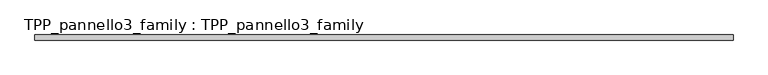
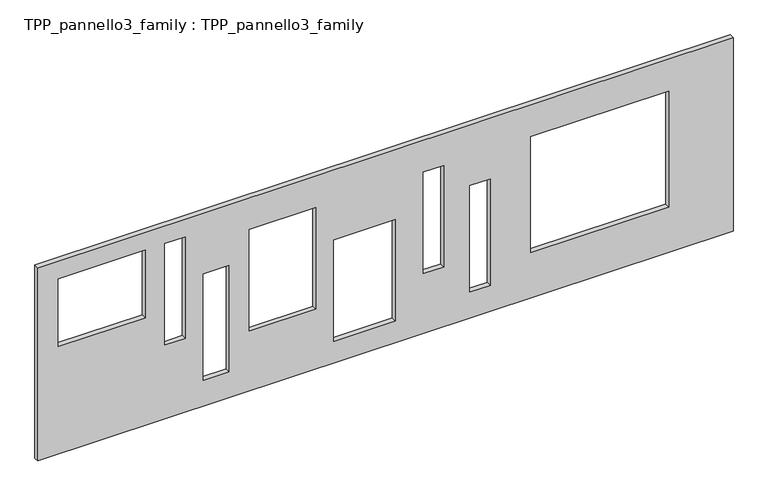
"""IFC4 building model written with IfcOpenShell, lengths in millimetres: proxy geometry, TPP_pannello3_family : TPP_pannello3_family."""

from ifc_helpers import new_model, si_unit, frame, origin, place, context, project, spatial, polyline, outline, extrude, source, transform, mapped, element, save


def tpp_pannello3_family_tpp_pannello3_family_1e309044(model_context):
    return source(origin(), model_context, "Body", "SweptSolid", [
        extrude(outline(polyline([(4000.0, 13600.0), (4000.0, 0.0), (0.0, 0.0), (0.0, 13600.0), (4000.0, 13600.0)]), holes=[polyline([(2552.7128782, 5790.7279929), (2552.7128782, 6990.7279929), (452.7128782, 6990.7279929), (452.7128782, 5790.7279929), (2552.7128782, 5790.7279929)]), polyline([(1239.8777373, 7538.2225128), (3339.8777373, 7538.2225128), (3339.8777373, 7938.2225128), (1239.8777373, 7938.2225128), (1239.8777373, 7538.2225128)]), polyline([(540.2756645, 8450.2534992), (2740.2756645, 8450.2534992), (2740.2756645, 8850.2534992), (540.2756645, 8850.2534992), (540.2756645, 8450.2534992)]), polyline([(939.8777373, 9638.2225128), (3339.8777373, 9638.2225128), (3339.8777373, 12338.2225128), (939.8777373, 12338.2225128), (939.8777373, 9638.2225128)]), polyline([(1239.8777373, 5438.2225128), (1239.8777373, 4138.2225128), (3339.8777373, 4138.2225128), (3339.8777373, 5438.2225128), (1239.8777373, 5438.2225128)]), polyline([(540.2756645, 3738.2225128), (540.2756645, 3238.2225128), (2740.2756645, 3238.2225128), (2740.2756645, 3738.2225128), (540.2756645, 3738.2225128)]), polyline([(1528.9973543, 2886.3121403), (1528.9973543, 2486.3121403), (3628.9973543, 2486.3121403), (3628.9973543, 2886.3121403), (1528.9973543, 2886.3121403)]), polyline([(3628.9973543, 2100.0), (2228.9973543, 2100.0), (2228.9973543, 400.0), (3628.9973543, 400.0), (3628.9973543, 2100.0)])]), frame((0.0, 1200.0, 0.0), z_axis=(0.0, 1.0, 0.0), x_axis=(0.0, 0.0, 1.0)), (0.0, 0.0, 1.0), 100.0),
    ])


if __name__ == "__main__":
    model = new_model("IFC4")
    model_context = context("Model", 3, world=origin())
    ifc_project = project(units=[si_unit("LENGTHUNIT", "METRE", prefix="MILLI")], contexts=[model_context])
    site = spatial("IfcSite", under=ifc_project)
    building = spatial("IfcBuilding", under=site)
    placement = place(None, origin())
    tpp_pannello3_family_tpp_pannello3_family_shape = tpp_pannello3_family_tpp_pannello3_family_1e309044(model_context)
    element("IfcBuildingElementProxy", 1, Name="TPP_pannello3_family : TPP_pannello3_family", ObjectType="TPP_pannello3_family : TPP_pannello3_family", at=placement, inside=building, context=model_context, shape_type="MappedRepresentation", body=[
        mapped(tpp_pannello3_family_tpp_pannello3_family_shape, transform((0.0, 0.0, 0.0), x_axis=(1.0, 0.0, 0.0), y_axis=(0.0, 1.0, 0.0), z_axis=(0.0, 0.0, 1.0))),
    ])
    save(model, "model.ifc")
